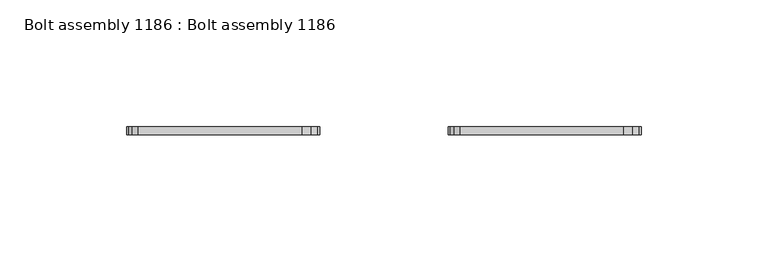
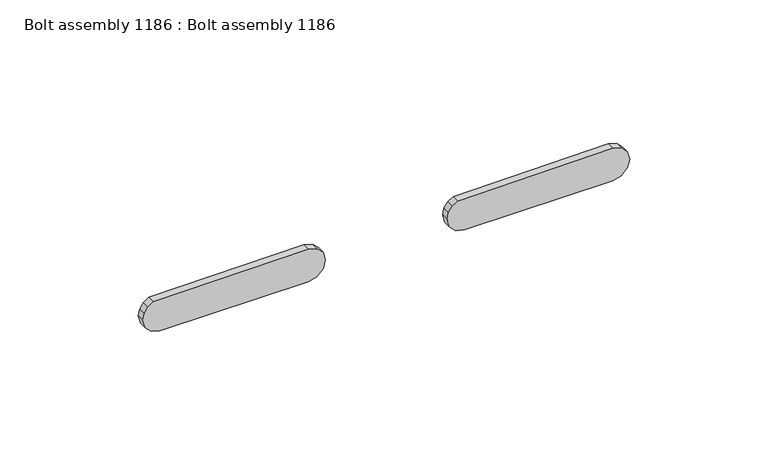
"""IFC4 building model written with IfcOpenShell, lengths in millimetres: proxy geometry, Bolt assembly 1186 : Bolt assembly 1186."""

import ifcopenshell
import ifcopenshell.guid

model = None  # the IFC model being written
_history = None  # IfcOwnerHistory: only IFC2X3 demands one
_inside = {}  # id of a spatial element -> (the spatial element, [elements in it])
_under = {}  # id of a project, library or spatial element -> (it, [spatial elements below it])
_declared = {}  # id of a project -> (the project, [libraries it declares])
_typed = {}  # id of a type object -> (the type object, [elements of that type])
_made_of = {}  # id of a material, layer set ... -> (it, [elements and type objects made of it])


def new_model(schema):
    """Start an empty IFC model of exactly this schema.

    Asked for "IFC4X3", IfcOpenShell would pick the latest addendum, in which some entities
    have other attributes; the version numbers below select the first issue.
    IFC2X3 requires an IfcOwnerHistory on every rooted entity: one is made here for all.
    """
    global model, _history
    if schema == "IFC4X3":
        model = ifcopenshell.file(schema_version=(4, 3, 0, 0))
    else:
        model = ifcopenshell.file(schema=schema)
    _inside.clear()
    _under.clear()
    _declared.clear()
    _typed.clear()
    _made_of.clear()
    _history = None
    if model.schema == "IFC2X3":
        org = make("IfcOrganization", Name="unknown")
        user = make(
            "IfcPersonAndOrganization",
            ThePerson=make("IfcPerson", FamilyName="unknown"),
            TheOrganization=org,
        )
        app = make(
            "IfcApplication",
            ApplicationDeveloper=org,
            Version="unknown",
            ApplicationFullName="unknown",
            ApplicationIdentifier="unknown",
        )
        _history = make(
            "IfcOwnerHistory",
            OwningUser=user,
            OwningApplication=app,
            ChangeAction="ADDED",
            CreationDate=0,
        )
    return model


def make(cls, **values):
    """One entity of the class cls with the attributes given. An attribute that is None is left unset."""
    return model.create_entity(
        cls, **{name: value for name, value in values.items() if value is not None}
    )


def rooted(cls, **values):
    """An entity with a GlobalId (a new one), such as an element, a storey or a relation."""
    return make(cls, GlobalId=ifcopenshell.guid.new(), OwnerHistory=_history, **values)


def si_unit(unit_type, name, prefix=None):
    """IfcSIUnit, for example si_unit("LENGTHUNIT", "METRE", prefix="MILLI")."""
    return make("IfcSIUnit", UnitType=unit_type, Prefix=prefix, Name=name)


def assignment(units):
    """IfcUnitAssignment: the units of a project."""
    return None if units is None else make("IfcUnitAssignment", Units=units)


def point(xyz):
    """IfcCartesianPoint."""
    return None if xyz is None else make("IfcCartesianPoint", Coordinates=xyz)


def direction(xyz):
    """IfcDirection."""
    return None if xyz is None else make("IfcDirection", DirectionRatios=xyz)


def frame(location, z_axis=None, x_axis=None):
    """IfcAxis2Placement3D, a coordinate frame: its origin and axes. An axis left out is left unset."""
    return make(
        "IfcAxis2Placement3D",
        Location=point(location),
        Axis=direction(z_axis),
        RefDirection=direction(x_axis),
    )


def origin():
    """The frame at (0, 0, 0) with its axes left unset."""
    return frame((0.0, 0.0, 0.0))


def place(relative_to, where):
    """IfcLocalPlacement: puts the frame where relative to a parent placement (None: the world)."""
    return make(
        "IfcLocalPlacement", PlacementRelTo=relative_to, RelativePlacement=where
    )


def context(
    kind, dimensions, precision=None, world=None, true_north=None, identifier=None
):
    """IfcGeometricRepresentationContext, for example the 3D "Model" context."""
    return make(
        "IfcGeometricRepresentationContext",
        ContextIdentifier=identifier,
        ContextType=kind,
        CoordinateSpaceDimension=dimensions,
        Precision=precision,
        WorldCoordinateSystem=world,
        TrueNorth=true_north,
    )


def project(units=None, contexts=None):
    """IfcProject with its units and contexts."""
    return rooted(
        "IfcProject",
        Name="project",
        RepresentationContexts=contexts,
        UnitsInContext=assignment(units),
    )


def spatial(cls, under=None, at=None, **own):
    """A site, building, storey or space (cls), placed at a placement, below another one or the project."""
    s = rooted(cls, ObjectPlacement=at, **own)
    if under is not None:
        _under.setdefault(under.id(), (under, []))[1].append(s)
    return s


def polyline(points):
    """IfcPolyline through the points."""
    return make("IfcPolyline", Points=[point(p) for p in points])


def outline(outer, holes=None, kind="AREA"):
    """IfcArbitraryClosedProfileDef: a profile drawn as a closed curve; with holes, ...WithVoids."""
    if holes is None:
        return make("IfcArbitraryClosedProfileDef", ProfileType=kind, OuterCurve=outer)
    return make(
        "IfcArbitraryProfileDefWithVoids",
        ProfileType=kind,
        OuterCurve=outer,
        InnerCurves=holes,
    )


def extrude(swept, where, along, depth):
    """IfcExtrudedAreaSolid: the profile swept, set in the frame where, extruded along a direction by depth."""
    return make(
        "IfcExtrudedAreaSolid",
        SweptArea=swept,
        Position=where,
        ExtrudedDirection=direction(along),
        Depth=depth,
    )


def shape(context_of_items, identifier, shape_type, items):
    """IfcShapeRepresentation: the items that make up one representation, for example the "Body"."""
    return make(
        "IfcShapeRepresentation",
        ContextOfItems=context_of_items,
        RepresentationIdentifier=identifier,
        RepresentationType=shape_type,
        Items=items,
    )


def source(mapping_origin, context_of_items, identifier, shape_type, items):
    """IfcRepresentationMap: a shape defined once, which mapped items show again and again."""
    return make(
        "IfcRepresentationMap",
        MappingOrigin=mapping_origin,
        MappedRepresentation=shape(context_of_items, identifier, shape_type, items),
    )


def transform(
    local_origin,
    x_axis=None,
    y_axis=None,
    z_axis=None,
    scale=None,
    scale2=None,
    scale3=None,
    uniform=True,
):
    """IfcCartesianTransformationOperator3D, or its non-uniform kind. x_axis, y_axis, z_axis: its Axis1, 2, 3."""
    if uniform:
        return make(
            "IfcCartesianTransformationOperator3D",
            Axis1=direction(x_axis),
            Axis2=direction(y_axis),
            LocalOrigin=point(local_origin),
            Scale=scale,
            Axis3=direction(z_axis),
        )
    return make(
        "IfcCartesianTransformationOperator3DnonUniform",
        Axis1=direction(x_axis),
        Axis2=direction(y_axis),
        LocalOrigin=point(local_origin),
        Scale=scale,
        Axis3=direction(z_axis),
        Scale2=scale2,
        Scale3=scale3,
    )


def mapped(mapping_source, mapping_target):
    """IfcMappedItem: shows the shape of a source again, moved by a transform."""
    return make(
        "IfcMappedItem", MappingSource=mapping_source, MappingTarget=mapping_target
    )


def made_of(thing, what):
    """Note that an element or type object is made of a material, layer set ...; save() writes the relation."""
    if what is not None:
        _made_of.setdefault(what.id(), (what, []))[1].append(thing)
    return thing


def element(
    cls,
    number,
    at=None,
    inside=None,
    cuts=None,
    type_object=None,
    material=None,
    context=None,
    identifier="Body",
    shape_type=None,
    held_by="IfcProductDefinitionShape",
    body=None,
    shapes=None,
    **own,
):
    """One element of the class cls, such as IfcWall. Its Tag is "e" and its number.

    at: its placement. inside: the storey or other place that contains it. cuts: it is an
    opening in that element (IfcRelVoidsElement). A single representation is given by context,
    identifier, shape_type and body (its items); several are given by shapes. held_by: the class
    of the entity that holds the representations. save() writes the other relations.
    """
    e = rooted(cls, Tag="e%d" % number, ObjectPlacement=at, **own)
    if body is not None:
        shapes = [shape(context, identifier, shape_type, body)]
    if shapes is not None:
        e.Representation = make(held_by, Representations=shapes)
    if inside is not None:
        _inside.setdefault(inside.id(), (inside, []))[1].append(e)
    if cuts is not None:
        rooted(
            "IfcRelVoidsElement", RelatingBuildingElement=cuts, RelatedOpeningElement=e
        )
    if type_object is not None:
        _typed.setdefault(type_object.id(), (type_object, []))[1].append(e)
    return made_of(e, material)


def aggregate(whole, parts):
    """IfcRelAggregates: a whole, such as a stair, and the parts it consists of."""
    return rooted("IfcRelAggregates", RelatingObject=whole, RelatedObjects=parts)


def save(model, path):
    """Write the relations noted so far, then the file.

    IfcRelAggregates (storeys below a building ...), IfcRelContainedInSpatialStructure (elements
    in a storey), IfcRelDefinesByType, IfcRelAssociatesMaterial and IfcRelDeclares: one each for
    every whole, place, type object, material and project.
    """
    for whole, parts in _under.values():
        aggregate(whole, parts)
    for where, things in _inside.values():
        rooted(
            "IfcRelContainedInSpatialStructure",
            RelatedElements=things,
            RelatingStructure=where,
        )
    for kind, things in _typed.values():
        rooted("IfcRelDefinesByType", RelatedObjects=things, RelatingType=kind)
    for what, things in _made_of.values():
        rooted("IfcRelAssociatesMaterial", RelatedObjects=things, RelatingMaterial=what)
    for by, libraries in _declared.values():
        rooted("IfcRelDeclares", RelatingContext=by, RelatedDefinitions=libraries)
    model.write(path)


def bolt_assembly_1186_bolt_assembly_1186_90648e3a(model_context):
    return source(origin(), model_context, "Body", "SweptSolid", [
        extrude(outline(polyline([(-76.5975, 8.8947539), (-79.2127515, 11.5100054), (-80.17, 15.0825054), (-80.17, 76.9925053), (-79.2127515, 80.5650053), (-76.5975, 83.1802568), (-73.025, 84.1375052), (-69.4525, 83.1802568), (-66.8372485, 80.5650053), (-65.88, 76.9925053), (-66.4238808, 12.3482323), (-67.9727221, 10.0302275), (-70.2907269, 8.4813862), (-73.025, 7.9375054), (-76.5975, 8.8947539)])), frame((0.0, 822.2250061, 0.0), z_axis=(0.0, 1.0, 0.0), x_axis=(0.0, 0.0, 1.0)), (0.0, 0.0, 1.0), 3.275),
        extrude(outline(polyline([(-76.5975, 135.8947539), (-79.2127515, 138.5100054), (-80.17, 142.0825054), (-80.17, 203.9925053), (-79.2127515, 207.5650053), (-76.5975, 210.1802568), (-73.025, 211.1375052), (-69.4525, 210.1802568), (-66.8372485, 207.5650053), (-65.88, 203.9925053), (-66.4238808, 139.3482323), (-67.9727221, 137.0302275), (-70.2907269, 135.4813862), (-73.025, 134.9375054), (-76.5975, 135.8947539)])), frame((0.0, 822.2250061, 0.0), z_axis=(0.0, 1.0, 0.0), x_axis=(0.0, 0.0, 1.0)), (0.0, 0.0, 1.0), 3.275),
    ])


if __name__ == "__main__":
    model = new_model("IFC4")
    model_context = context("Model", 3, world=origin())
    ifc_project = project(units=[si_unit("LENGTHUNIT", "METRE", prefix="MILLI")], contexts=[model_context])
    site = spatial("IfcSite", under=ifc_project)
    building = spatial("IfcBuilding", under=site)
    placement = place(None, origin())
    bolt_assembly_1186_bolt_assembly_1186_shape = bolt_assembly_1186_bolt_assembly_1186_90648e3a(model_context)
    element("IfcBuildingElementProxy", 1, Name="Bolt assembly 1186 : Bolt assembly 1186", ObjectType="Bolt assembly 1186 : Bolt assembly 1186", at=placement, inside=building, context=model_context, shape_type="MappedRepresentation", body=[
        mapped(bolt_assembly_1186_bolt_assembly_1186_shape, transform((0.0, 0.0, 0.0), x_axis=(1.0, 0.0, 0.0), y_axis=(0.0, 1.0, 0.0), z_axis=(0.0, 0.0, 1.0))),
    ])
    save(model, "model.ifc")
